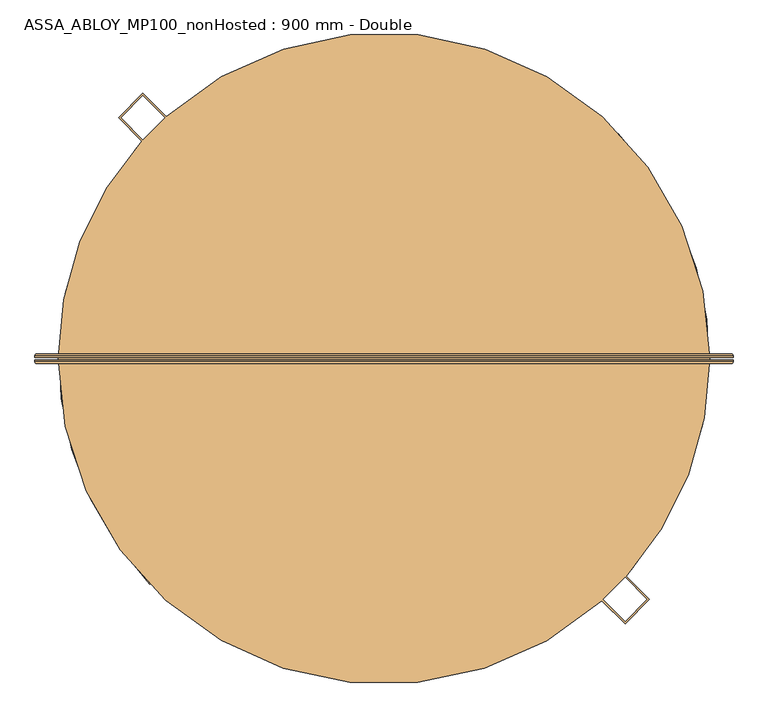
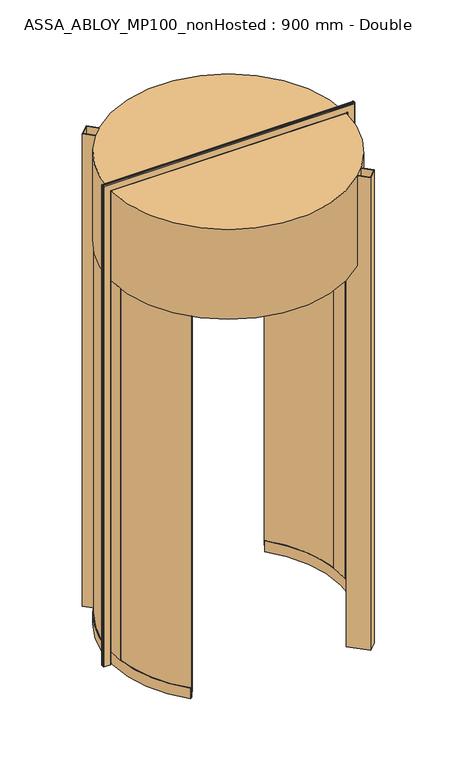
"""IFC4 building model written with IfcOpenShell, lengths in millimetres: door geometry, ASSA_ABLOY_MP100_nonHosted : 900 mm - Double."""

from ifc_helpers import new_model, si_unit, point, frame, origin, origin_2d, place, context, project, spatial, polyline, circle_curve, ellipse_curve, trimmed, segment, composite_curve, outline, extrude, source, transform, mapped, element, save
from ifc_brep_helpers import plane_surface, cylinder_surface, revolved_surface, advanced_brep


def assa_abloy_mp100_nonhosted_900_mm_double_41536150(model_context):
    return source(origin(), model_context, "Body", "SolidModel", [
        advanced_brep(
        [(805.0980762, 11.0, 0.0), (809.0980762, 7.0, 0.0), (809.0980762, 3.0, 0.0), (807.0980762, 3.0, 0.0), (807.0980762, 7.0, 0.0), (805.0980762, 9.0, 0.0), (763.0980762, 9.0, 0.0), (761.0980762, 7.0, 0.0), (761.0980762, 3.0, 0.0), (759.0980762, 3.0, 0.0), (759.0980762, 7.0, 0.0), (763.0980762, 11.0, 0.0), (805.0980762, 11.0, 3260.9980762), (809.0980762, 7.0, 3264.9980762), (809.0980762, 3.0, 3264.9980762), (759.0980762, 7.0, 3214.9980762), (763.0980762, 11.0, 3218.9980762), (-763.0980762, 11.0, 3218.9980762), (-763.0980762, 11.0, 0.0), (-805.0980762, 11.0, 0.0), (-805.0980762, 11.0, 3260.9980762), (-809.0980762, 7.0, 3264.9980762), (-809.0980762, 3.0, 3264.9980762), (-759.0980762, 7.0, 3214.9980762), (-759.0980762, 7.0, 0.0), (-759.0980762, 3.0, 0.0), (-761.0980762, 3.0, 0.0), (-761.0980762, 7.0, 0.0), (-763.0980762, 9.0, 0.0), (-805.0980762, 9.0, 0.0), (-807.0980762, 7.0, 0.0), (-807.0980762, 3.0, 0.0), (-809.0980762, 3.0, 0.0), (-809.0980762, 7.0, 0.0), (-807.0980762, 3.0, 3262.9980762), (807.0980762, 3.0, 3262.9980762), (807.0980762, 7.0, 3262.9980762), (805.0980762, 9.0, 3260.9980762), (-805.0980762, 9.0, 3260.9980762), (-763.0980762, 9.0, 3218.9980762), (763.0980762, 9.0, 3218.9980762), (761.0980762, 7.0, 3216.9980762), (761.0980762, 3.0, 3216.9980762), (-761.0980762, 3.0, 3216.9980762), (-759.0980762, 3.0, 3214.9980762), (759.0980762, 3.0, 3214.9980762), (-807.0980762, 7.0, 3262.9980762), (-761.0980762, 7.0, 3216.9980762)],
        [
            (0, 1, circle_curve(frame((805.0980762, 7.0, 0.0), z_axis=(0.0, 0.0, -1.0), x_axis=(-1.0, 0.0, 0.0)), 4.0)),
            (1, 2),
            (2, 3),
            (3, 4),
            (4, 5, circle_curve(frame((805.0980762, 7.0, 0.0), z_axis=(0.0, 0.0, 1.0), x_axis=(-1.0, 0.0, 0.0)), 2.0)),
            (5, 6),
            (6, 7, circle_curve(frame((763.0980762, 7.0, 0.0), z_axis=(0.0, 0.0, 1.0), x_axis=(-1.0, 0.0, 0.0)), 2.0)),
            (7, 8),
            (8, 9),
            (9, 10),
            (10, 11, circle_curve(frame((763.0980762, 7.0, 0.0), z_axis=(0.0, 0.0, -1.0), x_axis=(-1.0, 0.0, 0.0)), 4.0)),
            (11, 0),
            (0, 12),
            (12, 13, ellipse_curve(frame((805.0980762, 7.0, 3260.9980762), z_axis=(0.7071067811865475, 0.0, -0.7071067811865475), x_axis=(-0.7071067811865474, 0.0, -0.7071067811865476)), 5.6568542, 4.0)),
            (13, 1),
            (13, 14),
            (14, 2),
            (10, 15),
            (15, 16, ellipse_curve(frame((763.0980762, 7.0, 3218.9980762), z_axis=(0.7071067811865475, 0.0, -0.7071067811865475), x_axis=(-0.7071067811865474, 0.0, -0.7071067811865476)), 5.6568542, 4.0)),
            (16, 11),
            (16, 17),
            (17, 18),
            (18, 19),
            (19, 20),
            (20, 12),
            (20, 21, ellipse_curve(frame((-805.0980762, 7.0, 3260.9980762), z_axis=(0.7071067811865475, 0.0, 0.7071067811865475), x_axis=(0.7071067811865476, 0.0, -0.7071067811865474)), 5.6568542, 4.0)),
            (21, 13),
            (21, 22),
            (22, 14),
            (15, 23),
            (23, 17, ellipse_curve(frame((-763.0980762, 7.0, 3218.9980762), z_axis=(0.7071067811865475, 0.0, 0.7071067811865475), x_axis=(0.7071067811865476, 0.0, -0.7071067811865474)), 5.6568542, 4.0)),
            (18, 24, circle_curve(frame((-763.0980762, 7.0, 0.0), z_axis=(0.0, 0.0, -1.0), x_axis=(1.0, 0.0, 0.0)), 4.0)),
            (24, 25),
            (25, 26),
            (26, 27),
            (27, 28, circle_curve(frame((-763.0980762, 7.0, 0.0), z_axis=(0.0, 0.0, 1.0), x_axis=(1.0, 0.0, 0.0)), 2.0)),
            (28, 29),
            (29, 30, circle_curve(frame((-805.0980762, 7.0, 0.0), z_axis=(0.0, 0.0, 1.0), x_axis=(1.0, 0.0, 0.0)), 2.0)),
            (30, 31),
            (31, 32),
            (32, 33),
            (33, 19, circle_curve(frame((-805.0980762, 7.0, 0.0), z_axis=(0.0, 0.0, -1.0), x_axis=(1.0, 0.0, 0.0)), 4.0)),
            (33, 21),
            (32, 22),
            (23, 24),
            (31, 34),
            (34, 35),
            (35, 3),
            (35, 36),
            (36, 4),
            (36, 37, ellipse_curve(frame((805.0980762, 7.0, 3260.9980762), z_axis=(-0.7071067811865475, 0.0, 0.7071067811865475), x_axis=(0.7071067811865474, 0.0, 0.7071067811865476)), 2.8284271, 2.0)),
            (37, 5),
            (37, 38),
            (38, 29),
            (28, 39),
            (39, 40),
            (40, 6),
            (40, 41, ellipse_curve(frame((763.0980762, 7.0, 3218.9980762), z_axis=(-0.7071067811865475, 0.0, 0.7071067811865475), x_axis=(0.7071067811865474, 0.0, 0.7071067811865476)), 2.8284271, 2.0)),
            (41, 7),
            (41, 42),
            (42, 8),
            (42, 43),
            (43, 26),
            (25, 44),
            (44, 45),
            (45, 9),
            (45, 15),
            (34, 46),
            (46, 36),
            (46, 38, ellipse_curve(frame((-805.0980762, 7.0, 3260.9980762), z_axis=(-0.7071067811865475, 0.0, -0.7071067811865475), x_axis=(-0.7071067811865476, 0.0, 0.7071067811865474)), 2.8284271, 2.0)),
            (39, 47, ellipse_curve(frame((-763.0980762, 7.0, 3218.9980762), z_axis=(-0.7071067811865475, 0.0, -0.7071067811865475), x_axis=(-0.7071067811865476, 0.0, 0.7071067811865474)), 2.8284271, 2.0)),
            (47, 41),
            (47, 43),
            (44, 23),
            (30, 46),
            (27, 47),
        ],
        [
            plane_surface(frame((759.1, 0.0, 0.0), z_axis=(0.0, 0.0, -1.0), x_axis=(0.0, -1.0, 0.0))),
            cylinder_surface(frame((805.0980762, 7.0, 0.0), z_axis=(0.0, 0.0, -1.0), x_axis=(-1.0, 0.0, 0.0)), 4.0),
            plane_surface(frame((809.0980762, 7.0, 0.0), z_axis=(1.0, 0.0, 0.0), x_axis=(0.0, 0.0, 1.0))),
            cylinder_surface(frame((763.0980762, 7.0, 0.0), z_axis=(0.0, 0.0, -1.0), x_axis=(-1.0, 0.0, 0.0)), 4.0),
            plane_surface(frame((763.0980762, 11.0, 0.0), z_axis=(0.0, 1.0, 0.0), x_axis=(0.0, 0.0, 1.0))),
            cylinder_surface(frame((759.1, 7.0, 3260.9980762), z_axis=(1.0, 0.0, 0.0), x_axis=(0.0, 0.0, -1.0)), 4.0),
            plane_surface(frame((809.0980762, 7.0, 3264.9980762), z_axis=(0.0, 0.0, 1.0), x_axis=(-1.0, 0.0, 0.0))),
            cylinder_surface(frame((759.1, 7.0, 3218.9980762), z_axis=(1.0, 0.0, 0.0), x_axis=(0.0, 0.0, -1.0)), 4.0),
            plane_surface(frame((-759.1, 0.0, 0.0), z_axis=(0.0, 0.0, -1.0), x_axis=(0.0, -1.0, 0.0))),
            cylinder_surface(frame((-805.0980762, 7.0, 3215.0), z_axis=(0.0, 0.0, 1.0), x_axis=(1.0, 0.0, 0.0)), 4.0),
            plane_surface(frame((-809.0980762, 7.0, 3264.9980762), z_axis=(-1.0, 0.0, 0.0), x_axis=(0.0, 0.0, -1.0))),
            cylinder_surface(frame((-763.0980762, 7.0, 3215.0), z_axis=(0.0, 0.0, 1.0), x_axis=(1.0, 0.0, 0.0)), 4.0),
            plane_surface(frame((809.0980762, 3.0, 0.0), z_axis=(0.0, -1.0, 0.0), x_axis=(0.0, 0.0, 1.0))),
            plane_surface(frame((807.0980762, 3.0, 0.0), z_axis=(-1.0, 0.0, 0.0), x_axis=(0.0, 0.0, 1.0))),
            revolved_surface(polyline([(803.0980762, 7.0, 3262.9980762), (803.0980762, 7.0, 0.0)]), (805.0980762, 7.0, 0.0), (0.0, 0.0, 1.0)),
            plane_surface(frame((805.0980762, 9.0, 0.0), z_axis=(0.0, -1.0, 0.0), x_axis=(0.0, 0.0, 1.0))),
            revolved_surface(polyline([(761.0980762, 7.0, 3220.998076182502), (761.0980762, 7.0, 0.0)]), (763.0980762, 7.0, 0.0), (0.0, 0.0, 1.0)),
            plane_surface(frame((761.0980762, 7.0, 0.0), z_axis=(1.0, 0.0, 0.0), x_axis=(0.0, 0.0, 1.0))),
            plane_surface(frame((761.0980762, 3.0, 0.0), z_axis=(0.0, -1.0, 0.0), x_axis=(0.0, 0.0, 1.0))),
            plane_surface(frame((759.0980762, 3.0, 0.0), z_axis=(-1.0, 0.0, 0.0), x_axis=(0.0, 0.0, 1.0))),
            plane_surface(frame((807.0980762, 3.0, 3262.9980762), z_axis=(0.0, 0.0, -1.0), x_axis=(-1.0, 0.0, 0.0))),
            revolved_surface(polyline([(-807.0980762, 7.0, 3258.9980762), (807.0980762, 7.0, 3258.9980762)]), (759.1, 7.0, 3260.9980762), (-1.0, 0.0, 0.0)),
            revolved_surface(polyline([(-765.0980761825018, 7.0, 3216.9980762), (765.0980761825018, 7.0, 3216.9980762)]), (759.1, 7.0, 3218.9980762), (-1.0, 0.0, 0.0)),
            plane_surface(frame((761.0980762, 7.0, 3216.9980762), z_axis=(0.0, 0.0, 1.0), x_axis=(-1.0, 0.0, 0.0))),
            plane_surface(frame((759.0980762, 3.0, 3214.9980762), z_axis=(0.0, 0.0, -1.0), x_axis=(-1.0, 0.0, 0.0))),
            plane_surface(frame((-807.0980762, 3.0, 3262.9980762), z_axis=(1.0, 0.0, 0.0), x_axis=(0.0, 0.0, -1.0))),
            revolved_surface(polyline([(-803.0980762, 7.0, 0.0), (-803.0980762, 7.0, 3262.9980762)]), (-805.0980762, 7.0, 3215.0), (0.0, 0.0, -1.0)),
            revolved_surface(polyline([(-761.0980762, 7.0, 0.0), (-761.0980762, 7.0, 3220.998076182502)]), (-763.0980762, 7.0, 3215.0), (0.0, 0.0, -1.0)),
            plane_surface(frame((-761.0980762, 7.0, 3216.9980762), z_axis=(-1.0, 0.0, 0.0), x_axis=(0.0, 0.0, -1.0))),
            plane_surface(frame((-759.0980762, 3.0, 3214.9980762), z_axis=(1.0, 0.0, 0.0), x_axis=(0.0, 0.0, -1.0))),
        ],
        [
            (0, [[1, 2, 3, 4, 5, 6, 7, 8, 9, 10, 11, 12]]),
            (1, [[-1, 13, 14, 15]]),
            (2, [[-2, -15, 16, 17]]),
            (3, [[-11, 18, 19, 20]]),
            (4, [[-12, -20, 21, 22, 23, 24, 25, -13]]),
            (5, [[-14, -25, 26, 27]]),
            (6, [[-16, -27, 28, 29]]),
            (7, [[-19, 30, 31, -21]]),
            (8, [[-23, 32, 33, 34, 35, 36, 37, 38, 39, 40, 41, 42]]),
            (9, [[-26, -24, -42, 43]]),
            (10, [[-28, -43, -41, 44]]),
            (11, [[-31, 45, -32, -22]]),
            (12, [[-3, -17, -29, -44, -40, 46, 47, 48]]),
            (13, [[-4, -48, 49, 50]]),
            (14, [[-5, -50, 51, 52]]),
            (15, [[-6, -52, 53, 54, -37, 55, 56, 57]]),
            (16, [[-7, -57, 58, 59]]),
            (17, [[-8, -59, 60, 61]]),
            (18, [[-9, -61, 62, 63, -34, 64, 65, 66]]),
            (19, [[-10, -66, 67, -18]]),
            (20, [[-49, -47, 68, 69]]),
            (21, [[-51, -69, 70, -53]]),
            (22, [[-58, -56, 71, 72]]),
            (23, [[-60, -72, 73, -62]]),
            (24, [[-67, -65, 74, -30]]),
            (25, [[-68, -46, -39, 75]]),
            (26, [[-70, -75, -38, -54]]),
            (27, [[-71, -55, -36, 76]]),
            (28, [[-73, -76, -35, -63]]),
            (29, [[-74, -64, -33, -45]]),
        ],
    ),
        advanced_brep(
        [(759.0980762, -3.0, 0.0), (761.0980762, -3.0, 0.0), (761.0980762, -7.0, 0.0), (763.0980762, -9.0, 0.0), (805.0980762, -9.0, 0.0), (807.0980762, -7.0, 0.0), (807.0980762, -3.0, 0.0), (809.0980762, -3.0, 0.0), (809.0980762, -7.0, 0.0), (805.0980762, -11.0, 0.0), (763.0980762, -11.0, 0.0), (759.0980762, -7.0, 0.0), (809.0980762, -7.0, 3264.9980762), (805.0980762, -11.0, 3260.9980762), (-805.0980762, -11.0, 3260.9980762), (-805.0980762, -11.0, 0.0), (-763.0980762, -11.0, 0.0), (-763.0980762, -11.0, 3218.9980762), (763.0980762, -11.0, 3218.9980762), (759.0980762, -7.0, 3214.9980762), (759.0980762, -3.0, 3214.9980762), (-809.0980762, -7.0, 3264.9980762), (-759.0980762, -7.0, 3214.9980762), (-759.0980762, -3.0, 3214.9980762), (-759.0980762, -3.0, 0.0), (-759.0980762, -7.0, 0.0), (-809.0980762, -7.0, 0.0), (-809.0980762, -3.0, 0.0), (-807.0980762, -3.0, 0.0), (-807.0980762, -7.0, 0.0), (-805.0980762, -9.0, 0.0), (-763.0980762, -9.0, 0.0), (-761.0980762, -7.0, 0.0), (-761.0980762, -3.0, 0.0), (-761.0980762, -3.0, 3216.9980762), (761.0980762, -3.0, 3216.9980762), (761.0980762, -7.0, 3216.9980762), (763.0980762, -9.0, 3218.9980762), (-763.0980762, -9.0, 3218.9980762), (-805.0980762, -9.0, 3260.9980762), (805.0980762, -9.0, 3260.9980762), (807.0980762, -7.0, 3262.9980762), (807.0980762, -3.0, 3262.9980762), (-807.0980762, -3.0, 3262.9980762), (-809.0980762, -3.0, 3264.9980762), (809.0980762, -3.0, 3264.9980762), (-761.0980762, -7.0, 3216.9980762), (-807.0980762, -7.0, 3262.9980762)],
        [
            (0, 1),
            (1, 2),
            (2, 3, circle_curve(frame((763.0980762, -7.0, 0.0), z_axis=(0.0, 0.0, 1.0), x_axis=(-1.0, 0.0, 0.0)), 2.0)),
            (3, 4),
            (4, 5, circle_curve(frame((805.0980762, -7.0, 0.0), z_axis=(0.0, 0.0, 1.0), x_axis=(-1.0, 0.0, 0.0)), 2.0)),
            (5, 6),
            (6, 7),
            (7, 8),
            (8, 9, circle_curve(frame((805.0980762, -7.0, 0.0), z_axis=(0.0, 0.0, -1.0), x_axis=(-1.0, 0.0, 0.0)), 4.0)),
            (9, 10),
            (10, 11, circle_curve(frame((763.0980762, -7.0, 0.0), z_axis=(0.0, 0.0, -1.0), x_axis=(-1.0, 0.0, 0.0)), 4.0)),
            (11, 0),
            (8, 12),
            (12, 13, ellipse_curve(frame((805.0980762, -7.0, 3260.9980762), z_axis=(0.7071067811865475, 0.0, -0.7071067811865475), x_axis=(-0.7071067811865474, 0.0, -0.7071067811865476)), 5.6568542, 4.0)),
            (13, 9),
            (13, 14),
            (14, 15),
            (15, 16),
            (16, 17),
            (17, 18),
            (18, 10),
            (18, 19, ellipse_curve(frame((763.0980762, -7.0, 3218.9980762), z_axis=(0.7071067811865475, 0.0, -0.7071067811865475), x_axis=(-0.7071067811865474, 0.0, -0.7071067811865476)), 5.6568542, 4.0)),
            (19, 11),
            (19, 20),
            (20, 0),
            (12, 21),
            (21, 14, ellipse_curve(frame((-805.0980762, -7.0, 3260.9980762), z_axis=(0.7071067811865475, 0.0, 0.7071067811865475), x_axis=(0.7071067811865476, 0.0, -0.7071067811865474)), 5.6568542, 4.0)),
            (17, 22, ellipse_curve(frame((-763.0980762, -7.0, 3218.9980762), z_axis=(0.7071067811865475, 0.0, 0.7071067811865475), x_axis=(0.7071067811865476, 0.0, -0.7071067811865474)), 5.6568542, 4.0)),
            (22, 19),
            (22, 23),
            (23, 20),
            (24, 25),
            (25, 16, circle_curve(frame((-763.0980762, -7.0, 0.0), z_axis=(0.0, 0.0, -1.0), x_axis=(1.0, 0.0, 0.0)), 4.0)),
            (15, 26, circle_curve(frame((-805.0980762, -7.0, 0.0), z_axis=(0.0, 0.0, -1.0), x_axis=(1.0, 0.0, 0.0)), 4.0)),
            (26, 27),
            (27, 28),
            (28, 29),
            (29, 30, circle_curve(frame((-805.0980762, -7.0, 0.0), z_axis=(0.0, 0.0, 1.0), x_axis=(1.0, 0.0, 0.0)), 2.0)),
            (30, 31),
            (31, 32, circle_curve(frame((-763.0980762, -7.0, 0.0), z_axis=(0.0, 0.0, 1.0), x_axis=(1.0, 0.0, 0.0)), 2.0)),
            (32, 33),
            (33, 24),
            (21, 26),
            (25, 22),
            (24, 23),
            (33, 34),
            (34, 35),
            (35, 1),
            (35, 36),
            (36, 2),
            (36, 37, ellipse_curve(frame((763.0980762, -7.0, 3218.9980762), z_axis=(-0.7071067811865475, 0.0, 0.7071067811865475), x_axis=(0.7071067811865474, 0.0, 0.7071067811865476)), 2.8284271, 2.0)),
            (37, 3),
            (37, 38),
            (38, 31),
            (30, 39),
            (39, 40),
            (40, 4),
            (40, 41, ellipse_curve(frame((805.0980762, -7.0, 3260.9980762), z_axis=(-0.7071067811865475, 0.0, 0.7071067811865475), x_axis=(0.7071067811865474, 0.0, 0.7071067811865476)), 2.8284271, 2.0)),
            (41, 5),
            (41, 42),
            (42, 6),
            (42, 43),
            (43, 28),
            (27, 44),
            (44, 45),
            (45, 7),
            (45, 12),
            (34, 46),
            (46, 36),
            (46, 38, ellipse_curve(frame((-763.0980762, -7.0, 3218.9980762), z_axis=(-0.7071067811865475, 0.0, -0.7071067811865475), x_axis=(-0.7071067811865476, 0.0, 0.7071067811865474)), 2.8284271, 2.0)),
            (39, 47, ellipse_curve(frame((-805.0980762, -7.0, 3260.9980762), z_axis=(-0.7071067811865475, 0.0, -0.7071067811865475), x_axis=(-0.7071067811865476, 0.0, 0.7071067811865474)), 2.8284271, 2.0)),
            (47, 41),
            (47, 43),
            (44, 21),
            (32, 46),
            (29, 47),
        ],
        [
            plane_surface(frame((759.1, 0.0, 0.0), z_axis=(0.0, 0.0, -1.0), x_axis=(0.0, -1.0, 0.0))),
            cylinder_surface(frame((805.0980762, -7.0, 0.0), z_axis=(0.0, 0.0, -1.0), x_axis=(-1.0, 0.0, 0.0)), 4.0),
            plane_surface(frame((805.0980762, -11.0, 0.0), z_axis=(0.0, -1.0, 0.0), x_axis=(0.0, 0.0, 1.0))),
            cylinder_surface(frame((763.0980762, -7.0, 0.0), z_axis=(0.0, 0.0, -1.0), x_axis=(-1.0, 0.0, 0.0)), 4.0),
            plane_surface(frame((759.0980762, -7.0, 0.0), z_axis=(-1.0, 0.0, 0.0), x_axis=(0.0, 0.0, 1.0))),
            cylinder_surface(frame((759.1, -7.0, 3260.9980762), z_axis=(1.0, 0.0, 0.0), x_axis=(0.0, 0.0, -1.0)), 4.0),
            cylinder_surface(frame((759.1, -7.0, 3218.9980762), z_axis=(1.0, 0.0, 0.0), x_axis=(0.0, 0.0, -1.0)), 4.0),
            plane_surface(frame((759.0980762, -7.0, 3214.9980762), z_axis=(0.0, 0.0, -1.0), x_axis=(-1.0, 0.0, 0.0))),
            plane_surface(frame((-759.1, 0.0, 0.0), z_axis=(0.0, 0.0, -1.0), x_axis=(0.0, -1.0, 0.0))),
            cylinder_surface(frame((-805.0980762, -7.0, 3215.0), z_axis=(0.0, 0.0, 1.0), x_axis=(1.0, 0.0, 0.0)), 4.0),
            cylinder_surface(frame((-763.0980762, -7.0, 3215.0), z_axis=(0.0, 0.0, 1.0), x_axis=(1.0, 0.0, 0.0)), 4.0),
            plane_surface(frame((-759.0980762, -7.0, 3214.9980762), z_axis=(1.0, 0.0, 0.0), x_axis=(0.0, 0.0, -1.0))),
            plane_surface(frame((759.0980762, -3.0, 0.0), z_axis=(0.0, 1.0, 0.0), x_axis=(0.0, 0.0, 1.0))),
            plane_surface(frame((761.0980762, -3.0, 0.0), z_axis=(1.0, 0.0, 0.0), x_axis=(0.0, 0.0, 1.0))),
            revolved_surface(polyline([(761.0980762, -7.0, 3220.998076182502), (761.0980762, -7.0, 0.0)]), (763.0980762, -7.0, 0.0), (0.0, 0.0, 1.0)),
            plane_surface(frame((763.0980762, -9.0, 0.0), z_axis=(0.0, 1.0, 0.0), x_axis=(0.0, 0.0, 1.0))),
            revolved_surface(polyline([(803.0980762, -7.0, 3262.9980762), (803.0980762, -7.0, 0.0)]), (805.0980762, -7.0, 0.0), (0.0, 0.0, 1.0)),
            plane_surface(frame((807.0980762, -7.0, 0.0), z_axis=(-1.0, 0.0, 0.0), x_axis=(0.0, 0.0, 1.0))),
            plane_surface(frame((807.0980762, -3.0, 0.0), z_axis=(0.0, 1.0, 0.0), x_axis=(0.0, 0.0, 1.0))),
            plane_surface(frame((809.0980762, -3.0, 0.0), z_axis=(1.0, 0.0, 0.0), x_axis=(0.0, 0.0, 1.0))),
            plane_surface(frame((761.0980762, -3.0, 3216.9980762), z_axis=(0.0, 0.0, 1.0), x_axis=(-1.0, 0.0, 0.0))),
            revolved_surface(polyline([(-765.0980761825018, -7.0, 3216.9980762), (765.0980761825018, -7.0, 3216.9980762)]), (759.1, -7.0, 3218.9980762), (-1.0, 0.0, 0.0)),
            revolved_surface(polyline([(-807.0980762, -7.0, 3258.9980762), (807.0980762, -7.0, 3258.9980762)]), (759.1, -7.0, 3260.9980762), (-1.0, 0.0, 0.0)),
            plane_surface(frame((807.0980762, -7.0, 3262.9980762), z_axis=(0.0, 0.0, -1.0), x_axis=(-1.0, 0.0, 0.0))),
            plane_surface(frame((809.0980762, -3.0, 3264.9980762), z_axis=(0.0, 0.0, 1.0), x_axis=(-1.0, 0.0, 0.0))),
            plane_surface(frame((-761.0980762, -3.0, 3216.9980762), z_axis=(-1.0, 0.0, 0.0), x_axis=(0.0, 0.0, -1.0))),
            revolved_surface(polyline([(-761.0980762, -7.0, 0.0), (-761.0980762, -7.0, 3220.998076182502)]), (-763.0980762, -7.0, 3215.0), (0.0, 0.0, -1.0)),
            revolved_surface(polyline([(-803.0980762, -7.0, 0.0), (-803.0980762, -7.0, 3262.9980762)]), (-805.0980762, -7.0, 3215.0), (0.0, 0.0, -1.0)),
            plane_surface(frame((-807.0980762, -7.0, 3262.9980762), z_axis=(1.0, 0.0, 0.0), x_axis=(0.0, 0.0, -1.0))),
            plane_surface(frame((-809.0980762, -3.0, 3264.9980762), z_axis=(-1.0, 0.0, 0.0), x_axis=(0.0, 0.0, -1.0))),
        ],
        [
            (0, [[1, 2, 3, 4, 5, 6, 7, 8, 9, 10, 11, 12]]),
            (1, [[-9, 13, 14, 15]]),
            (2, [[-10, -15, 16, 17, 18, 19, 20, 21]]),
            (3, [[-11, -21, 22, 23]]),
            (4, [[-12, -23, 24, 25]]),
            (5, [[-14, 26, 27, -16]]),
            (6, [[-22, -20, 28, 29]]),
            (7, [[-24, -29, 30, 31]]),
            (8, [[32, 33, -18, 34, 35, 36, 37, 38, 39, 40, 41, 42]]),
            (9, [[-27, 43, -34, -17]]),
            (10, [[-28, -19, -33, 44]]),
            (11, [[-30, -44, -32, 45]]),
            (12, [[-1, -25, -31, -45, -42, 46, 47, 48]]),
            (13, [[-2, -48, 49, 50]]),
            (14, [[-3, -50, 51, 52]]),
            (15, [[-4, -52, 53, 54, -39, 55, 56, 57]]),
            (16, [[-5, -57, 58, 59]]),
            (17, [[-6, -59, 60, 61]]),
            (18, [[-7, -61, 62, 63, -36, 64, 65, 66]]),
            (19, [[-8, -66, 67, -13]]),
            (20, [[-49, -47, 68, 69]]),
            (21, [[-51, -69, 70, -53]]),
            (22, [[-58, -56, 71, 72]]),
            (23, [[-60, -72, 73, -62]]),
            (24, [[-67, -65, 74, -26]]),
            (25, [[-68, -46, -41, 75]]),
            (26, [[-70, -75, -40, -54]]),
            (27, [[-71, -55, -38, 76]]),
            (28, [[-73, -76, -37, -63]]),
            (29, [[-74, -64, -35, -43]]),
        ],
    ),
        advanced_brep(
        [(-528.3315152, -508.8825135, 73.0), (-530.492233, -510.9636907, 73.0), (-530.492233, -510.9636907, 39.0), (-540.5755828, -520.675851, 39.0), (-540.5755828, -520.675851, 73.0), (-542.7363006, -522.7570282, 73.0), (-542.7363006, -522.7570282, 0.0), (-540.5755828, -520.675851, 0.0), (-540.5755828, -520.675851, 24.0), (-530.492233, -510.9636907, 24.0), (-530.492233, -510.9636907, 0.0), (-528.3315152, -508.8825135, 0.0), (-557.6233523, 476.6044476, 73.0), (-557.6233523, 476.6044476, 0.0), (-559.9038649, 478.5536172, 0.0), (-559.9038649, 478.5536172, 24.0), (-570.5462573, 487.6497419, 24.0), (-570.5462573, 487.6497419, 0.0), (-572.82677, 489.5989115, 0.0), (-572.82677, 489.5989115, 73.0), (-570.5462573, 487.6497419, 73.0), (-570.5462573, 487.6497419, 39.0), (-559.9038649, 478.5536172, 39.0), (-559.9038649, 478.5536172, 73.0), (-728.0898904, -89.3348417, 73.0), (-731.0675602, -89.7001945, 73.0), (-736.1352483, 24.7143418, 73.0), (-733.1369376, 24.6136792, 73.0), (-750.1273647, 25.1841076, 73.0), (-744.9633517, -91.4051811, 73.0), (-747.9410215, -91.7705339, 73.0), (-753.1256754, 25.2847702, 73.0), (-753.1256754, 25.2847702, 2600.0), (-747.9410215, -91.7705339, 2600.0), (-744.9633517, -91.4051811, 2600.0), (-750.1273647, 25.1841076, 2600.0), (-733.1369376, 24.6136792, 2600.0), (-736.1352483, 24.7143418, 2600.0), (-731.0675602, -89.7001945, 2600.0), (-728.0898904, -89.3348417, 2600.0)],
        [
            (0, 1),
            (1, 2),
            (2, 3),
            (3, 4),
            (4, 5),
            (5, 6),
            (6, 7),
            (7, 8),
            (8, 9),
            (9, 10),
            (10, 11),
            (11, 0),
            (12, 13),
            (13, 14),
            (14, 15),
            (15, 16),
            (16, 17),
            (17, 18),
            (18, 19),
            (19, 20),
            (20, 21),
            (21, 22),
            (22, 23),
            (23, 12),
            (0, 24, circle_curve(frame((0.0, 0.0, 73.0), z_axis=(0.0, 0.0, -1.0), x_axis=(-0.7202392682397201, -0.6937257357814488, 0.0)), 733.55)),
            (24, 25),
            (25, 1, circle_curve(frame((0.0, 0.0, 73.0), z_axis=(0.0, 0.0, 1.0), x_axis=(-0.7202392682397201, -0.6937257357814488, 0.0)), 736.55)),
            (23, 26, circle_curve(frame((0.0, 0.0, 73.0), z_axis=(0.0, 0.0, 1.0), x_axis=(-0.7202392682397201, -0.6937257357814488, 0.0)), 736.55)),
            (26, 27),
            (27, 12, circle_curve(frame((0.0, 0.0, 73.0), z_axis=(0.0, 0.0, -1.0), x_axis=(-0.7202392682397201, -0.6937257357814488, 0.0)), 733.55)),
            (25, 26, circle_curve(frame((0.0, 0.0, 73.0), z_axis=(0.0, 0.0, -1.0), x_axis=(-0.7202392682397201, -0.6937257357814488, 0.0)), 736.55)),
            (22, 2, circle_curve(frame((0.0, 0.0, 39.0), z_axis=(0.0, 0.0, 1.0), x_axis=(-0.7202392682397201, -0.6937257357814488, 0.0)), 736.55)),
            (21, 3, circle_curve(frame((0.0, 0.0, 39.0), z_axis=(0.0, 0.0, 1.0), x_axis=(-0.7202392682397201, -0.6937257357814488, 0.0)), 750.55)),
            (20, 28, circle_curve(frame((0.0, 0.0, 73.0), z_axis=(0.0, 0.0, 1.0), x_axis=(-0.7202392682397201, -0.6937257357814488, 0.0)), 750.55)),
            (28, 29, circle_curve(frame((0.0, 0.0, 73.0), z_axis=(0.0, 0.0, 1.0), x_axis=(-0.7202392682397201, -0.6937257357814488, 0.0)), 750.55)),
            (29, 4, circle_curve(frame((0.0, 0.0, 73.0), z_axis=(0.0, 0.0, 1.0), x_axis=(-0.7202392682397201, -0.6937257357814488, 0.0)), 750.55)),
            (29, 30),
            (30, 5, circle_curve(frame((0.0, 0.0, 73.0), z_axis=(0.0, 0.0, 1.0), x_axis=(-0.7202392682397201, -0.6937257357814488, 0.0)), 753.55)),
            (19, 31, circle_curve(frame((0.0, 0.0, 73.0), z_axis=(0.0, 0.0, 1.0), x_axis=(-0.7202392682397201, -0.6937257357814488, 0.0)), 753.55)),
            (31, 28),
            (30, 31, circle_curve(frame((0.0, 0.0, 73.0), z_axis=(0.0, 0.0, -1.0), x_axis=(-0.7202392682397201, -0.6937257357814488, 0.0)), 753.55)),
            (18, 6, circle_curve(frame((0.0, 0.0, 0.0), z_axis=(0.0, 0.0, 1.0), x_axis=(-0.7202392682397201, -0.6937257357814488, 0.0)), 753.55)),
            (17, 7, circle_curve(frame((0.0, 0.0, 0.0), z_axis=(0.0, 0.0, 1.0), x_axis=(-0.7202392682397201, -0.6937257357814488, 0.0)), 750.55)),
            (16, 8, circle_curve(frame((0.0, 0.0, 24.0), z_axis=(0.0, 0.0, 1.0), x_axis=(-0.7202392682397201, -0.6937257357814488, 0.0)), 750.55)),
            (15, 9, circle_curve(frame((0.0, 0.0, 24.0), z_axis=(0.0, 0.0, 1.0), x_axis=(-0.7202392682397201, -0.6937257357814488, 0.0)), 736.55)),
            (14, 10, circle_curve(frame((0.0, 0.0, 0.0), z_axis=(0.0, 0.0, 1.0), x_axis=(-0.7202392682397201, -0.6937257357814488, 0.0)), 736.55)),
            (13, 11, circle_curve(frame((0.0, 0.0, 0.0), z_axis=(0.0, 0.0, 1.0), x_axis=(-0.7202392682397201, -0.6937257357814488, 0.0)), 733.55)),
            (27, 24, circle_curve(frame((0.0, 0.0, 73.0), z_axis=(0.0, 0.0, 1.0), x_axis=(-0.7202392682397201, -0.6937257357814488, 0.0)), 733.55)),
            (32, 33, circle_curve(frame((0.0, 0.0, 2600.0), z_axis=(0.0, 0.0, 1.0), x_axis=(0.7071067811865459, -0.7071067811865491, 0.0)), 753.55)),
            (33, 34),
            (34, 35, circle_curve(frame((0.0, 0.0, 2600.0), z_axis=(0.0, 0.0, -1.0), x_axis=(0.7071067811865459, -0.7071067811865491, 0.0)), 750.55)),
            (35, 32),
            (32, 31),
            (30, 33),
            (29, 34),
            (28, 35),
            (36, 37),
            (37, 38, circle_curve(frame((0.0, 0.0, 2600.0), z_axis=(0.0, 0.0, 1.0), x_axis=(0.7071067811865459, -0.7071067811865492, 0.0)), 736.55)),
            (38, 39),
            (39, 36, circle_curve(frame((0.0, 0.0, 2600.0), z_axis=(0.0, 0.0, -1.0), x_axis=(0.7071067811865459, -0.7071067811865492, 0.0)), 733.55)),
            (36, 27),
            (26, 37),
            (25, 38),
            (24, 39),
        ],
        [
            plane_surface(frame((-535.5339079, -515.8197708, 0.0), z_axis=(0.6937257357814489, -0.7202392682397202, 0.0), x_axis=(0.0, 0.0, 1.0))),
            plane_surface(frame((-565.2250611, 483.1016796, 0.0), z_axis=(0.6497231921869124, 0.7601708844295791, 0.0), x_axis=(0.0, 0.0, 1.0))),
            plane_surface(frame((0.0, 0.0, 73.0), z_axis=(0.0, 0.0, 1.0), x_axis=(-0.7202392682397201, -0.6937257357814488, 0.0))),
            cylinder_surface(frame((0.0, 0.0, 0.0), z_axis=(0.0, 0.0, -1.0), x_axis=(-0.7202392682397201, -0.6937257357814488, 0.0)), 736.55),
            plane_surface(frame((0.0, 0.0, 39.0), z_axis=(0.0, 0.0, 1.0), x_axis=(-0.7202392682397201, -0.6937257357814488, 0.0))),
            revolved_surface(polyline([(-540.5755827773219, -520.6758509907663, 39.0), (-540.5755827773219, -520.6758509907663, 73.0)]), (0.0, 0.0, 0.0), (0.0, 0.0, -1.0)),
            cylinder_surface(frame((0.0, 0.0, 0.0), z_axis=(0.0, 0.0, -1.0), x_axis=(-0.7202392682397201, -0.6937257357814488, 0.0)), 753.55),
            plane_surface(frame((0.0, 0.0, 0.0), z_axis=(0.0, 0.0, -1.0), x_axis=(-0.7202392682397201, -0.6937257357814488, 0.0))),
            revolved_surface(polyline([(-540.5755827773219, -520.6758509907663, 0.0), (-540.5755827773219, -520.6758509907663, 24.0)]), (0.0, 0.0, 0.0), (0.0, 0.0, -1.0)),
            plane_surface(frame((0.0, 0.0, 24.0), z_axis=(0.0, 0.0, -1.0), x_axis=(-0.7202392682397201, -0.6937257357814488, 0.0))),
            revolved_surface(polyline([(-528.3315152172466, -508.8825134824817, 0.0), (-528.3315152172466, -508.8825134824817, 73.0)]), (0.0, 0.0, 0.0), (0.0, 0.0, -1.0)),
            plane_surface(frame((532.840315, -532.840315, 2600.0), z_axis=(0.0, 0.0, 1.0), x_axis=(0.7071067811865491, 0.7071067811865459, 0.0))),
            cylinder_surface(frame((0.0, 0.0, 73.0), z_axis=(0.0, 0.0, 1.0), x_axis=(0.7071067811865459, -0.7071067811865491, 0.0)), 753.55),
            plane_surface(frame((-747.9410215, -91.7705339, 2600.0), z_axis=(0.12178426629986172, -0.9925565940951702, 0.0), x_axis=(0.0, 0.0, -1.0))),
            revolved_surface(polyline([(530.718994619562, -530.7189946195645, 73.0), (530.718994619562, -530.7189946195645, 2600.0)]), (0.0, 0.0, 73.0), (0.0, 0.0, -1.0)),
            plane_surface(frame((-750.1273647, 25.1841076, 2600.0), z_axis=(0.03355420367634455, 0.9994368991665489, 0.0), x_axis=(0.0, 0.0, -1.0))),
            plane_surface(frame((-733.1369376, 24.6136792, 2600.0), z_axis=(0.0, 0.0, 1.0000000000000002), x_axis=(-0.9994368993523267, 0.03355419814281517, 0.0))),
            plane_surface(frame((-733.1369376, 24.6136792, 2600.0), z_axis=(0.03355419814281517, 0.9994368993523267, 0.0), x_axis=(0.0, 0.0, -1.0))),
            cylinder_surface(frame((0.0, 0.0, 73.0), z_axis=(0.0, 0.0, 1.0000000000000002), x_axis=(0.7071067811865459, -0.7071067811865492, 0.0)), 736.55),
            plane_surface(frame((-731.0675602, -89.7001945, 2600.0), z_axis=(0.12178426079545666, -0.9925565947705473, 0.0), x_axis=(0.0, 0.0, -1.0))),
            revolved_surface(polyline([(518.6981793393907, -518.6981793393932, 73.0), (518.6981793393907, -518.6981793393932, 2600.000000000001)]), (0.0, 0.0, 73.0), (0.0, 0.0, -1.0000000000000002)),
        ],
        [
            (0, [[1, 2, 3, 4, 5, 6, 7, 8, 9, 10, 11, 12]]),
            (1, [[13, 14, 15, 16, 17, 18, 19, 20, 21, 22, 23, 24]]),
            (2, [[-1, 25, 26, 27]]),
            (2, [[-24, 28, 29, 30]]),
            (3, [[-2, -27, 31, -28, -23, 32]]),
            (4, [[-3, -32, -22, 33]]),
            (5, [[-4, -33, -21, 34, 35, 36]]),
            (2, [[-5, -36, 37, 38]]),
            (2, [[-20, 39, 40, -34]]),
            (6, [[-6, -38, 41, -39, -19, 42]]),
            (7, [[-7, -42, -18, 43]]),
            (8, [[-8, -43, -17, 44]]),
            (9, [[-9, -44, -16, 45]]),
            (3, [[-10, -45, -15, 46]]),
            (7, [[-11, -46, -14, 47]]),
            (10, [[-12, -47, -13, -30, 48, -25]]),
            (11, [[49, 50, 51, 52]]),
            (12, [[-49, 53, -41, 54]]),
            (13, [[-50, -54, -37, 55]]),
            (14, [[-51, -55, -35, 56]]),
            (15, [[-52, -56, -40, -53]]),
            (16, [[57, 58, 59, 60]]),
            (17, [[-57, 61, -29, 62]]),
            (18, [[-58, -62, -31, 63]]),
            (19, [[-59, -63, -26, 64]]),
            (20, [[-60, -64, -48, -61]]),
        ],
    ),
        advanced_brep(
        [(747.9395928, 91.7703586, 2600.0), (744.961923, 91.4050058, 2600.0), (750.1259261, -25.1840593, 2600.0), (753.1242368, -25.2847219, 2600.0), (747.9395928, 91.7703586, 73.0), (744.961923, 91.4050058, 73.0), (750.1259261, -25.1840593, 73.0), (753.1242368, -25.2847219, 73.0), (570.5477914, -487.6457316, 24.0), (570.5477914, -487.6457316, 0.0), (572.8283145, -489.5948889, 0.0), (572.8283145, -489.5948889, 73.0), (570.5477914, -487.6457316, 73.0), (570.5477914, -487.6457316, 39.0), (559.90535, -478.5496643, 39.0), (559.90535, -478.5496643, 73.0), (557.6248268, -476.600507, 73.0), (557.6248268, -476.600507, 0.0), (559.90535, -478.5496643, 0.0), (559.90535, -478.5496643, 24.0), (540.576508, 520.6728155, 24.0), (530.4931216, 510.9606932, 24.0), (530.4931216, 510.9606932, 0.0), (528.332396, 508.8795241, 0.0), (528.332396, 508.8795241, 73.0), (530.4931216, 510.9606932, 73.0), (530.4931216, 510.9606932, 39.0), (540.576508, 520.6728155, 39.0), (540.576508, 520.6728155, 73.0), (542.7372336, 522.7539846, 73.0), (542.7372336, 522.7539846, 0.0), (540.576508, 520.6728155, 0.0), (731.0661307, 89.700026, 73.0), (736.1338095, -24.7143004, 73.0), (733.1354988, -24.6136378, 73.0), (728.0884609, 89.3346732, 73.0), (728.0884609, 89.3346732, 2600.0), (733.1354988, -24.6136378, 2600.0), (736.1338095, -24.7143004, 2600.0), (731.0661307, 89.700026, 2600.0)],
        [
            (0, 1),
            (1, 2, circle_curve(frame((0.0, 0.0, 2600.0), z_axis=(0.0, 0.0, -1.0), x_axis=(-0.7071067811865481, -0.7071067811865469, 0.0)), 750.5485606)),
            (2, 3),
            (3, 0, circle_curve(frame((0.0, 0.0, 2600.0), z_axis=(0.0, 0.0, 1.0), x_axis=(-0.7071067811865481, -0.7071067811865469, 0.0)), 753.5485606)),
            (0, 4),
            (4, 5),
            (5, 1),
            (5, 6, circle_curve(frame((0.0, 0.0, 73.0), z_axis=(0.0, 0.0, -1.0), x_axis=(-0.7071067811865481, -0.7071067811865469, 0.0)), 750.5485606)),
            (6, 2),
            (6, 7),
            (7, 3),
            (7, 4, circle_curve(frame((0.0, 0.0, 73.0), z_axis=(0.0, 0.0, 1.0), x_axis=(-0.7071067811865481, -0.7071067811865469, 0.0)), 753.5485606)),
            (8, 9),
            (9, 10),
            (10, 11),
            (11, 12),
            (12, 13),
            (13, 14),
            (14, 15),
            (15, 16),
            (16, 17),
            (17, 18),
            (18, 19),
            (19, 8),
            (20, 21),
            (21, 22),
            (22, 23),
            (23, 24),
            (24, 25),
            (25, 26),
            (26, 27),
            (27, 28),
            (28, 29),
            (29, 30),
            (30, 31),
            (31, 20),
            (8, 20, circle_curve(frame((0.0, 0.0, 24.0), z_axis=(0.0, 0.0, 1.0), x_axis=(0.7601743862281888, -0.6497190950884825, 0.0)), 750.5485606)),
            (31, 9, circle_curve(frame((0.0, 0.0, 0.0), z_axis=(0.0, 0.0, -1.0), x_axis=(0.7601743862281888, -0.6497190950884825, 0.0)), 750.5485606)),
            (30, 10, circle_curve(frame((0.0, 0.0, 0.0), z_axis=(0.0, 0.0, -1.0), x_axis=(0.7601743862281888, -0.6497190950884825, 0.0)), 753.5485606)),
            (29, 4, circle_curve(frame((0.0, 0.0, 73.0), z_axis=(0.0, 0.0, -1.0), x_axis=(0.7601743862281888, -0.6497190950884825, 0.0)), 753.5485606)),
            (7, 11, circle_curve(frame((0.0, 0.0, 73.0), z_axis=(0.0, 0.0, -1.0), x_axis=(0.7601743862281888, -0.6497190950884825, 0.0)), 753.5485606)),
            (6, 12, circle_curve(frame((0.0, 0.0, 73.0), z_axis=(0.0, 0.0, -1.0), x_axis=(0.7601743862281888, -0.6497190950884825, 0.0)), 750.5485606)),
            (28, 5, circle_curve(frame((0.0, 0.0, 73.0), z_axis=(0.0, 0.0, -1.0), x_axis=(0.7601743862281888, -0.6497190950884825, 0.0)), 750.5485606)),
            (27, 13, circle_curve(frame((0.0, 0.0, 39.0), z_axis=(0.0, 0.0, -1.0), x_axis=(0.7601743862281888, -0.6497190950884825, 0.0)), 750.5485606)),
            (26, 14, circle_curve(frame((0.0, 0.0, 39.0), z_axis=(0.0, 0.0, -1.0), x_axis=(0.7601743862281888, -0.6497190950884825, 0.0)), 736.5485606)),
            (25, 32, circle_curve(frame((0.0, 0.0, 73.0), z_axis=(0.0, 0.0, -1.0), x_axis=(0.7601743862281888, -0.6497190950884825, 0.0)), 736.5485606)),
            (32, 33, circle_curve(frame((0.0, 0.0, 73.0), z_axis=(0.0, 0.0, -1.0), x_axis=(0.7601743862281888, -0.6497190950884825, 0.0)), 736.5485606)),
            (33, 15, circle_curve(frame((0.0, 0.0, 73.0), z_axis=(0.0, 0.0, -1.0), x_axis=(0.7601743862281888, -0.6497190950884825, 0.0)), 736.5485606)),
            (33, 34),
            (34, 16, circle_curve(frame((0.0, 0.0, 73.0), z_axis=(0.0, 0.0, -1.0), x_axis=(0.7601743862281888, -0.6497190950884825, 0.0)), 733.5485606)),
            (24, 35, circle_curve(frame((0.0, 0.0, 73.0), z_axis=(0.0, 0.0, -1.0), x_axis=(0.7601743862281888, -0.6497190950884825, 0.0)), 733.5485606)),
            (35, 32),
            (34, 35, circle_curve(frame((0.0, 0.0, 73.0), z_axis=(0.0, 0.0, 1.0), x_axis=(0.7601743862281888, -0.6497190950884825, 0.0)), 733.5485606)),
            (23, 17, circle_curve(frame((0.0, 0.0, 0.0), z_axis=(0.0, 0.0, -1.0), x_axis=(0.7601743862281888, -0.6497190950884825, 0.0)), 733.5485606)),
            (22, 18, circle_curve(frame((0.0, 0.0, 0.0), z_axis=(0.0, 0.0, -1.0), x_axis=(0.7601743862281888, -0.6497190950884825, 0.0)), 736.5485606)),
            (21, 19, circle_curve(frame((0.0, 0.0, 24.0), z_axis=(0.0, 0.0, -1.0), x_axis=(0.7601743862281888, -0.6497190950884825, 0.0)), 736.5485606)),
            (36, 37, circle_curve(frame((0.0, 0.0, 2600.0), z_axis=(0.0, 0.0, -1.0), x_axis=(-0.707106781186548, -0.707106781186547, 0.0)), 733.5485606)),
            (37, 38),
            (38, 39, circle_curve(frame((0.0, 0.0, 2600.0), z_axis=(0.0, 0.0, 1.0), x_axis=(-0.707106781186548, -0.707106781186547, 0.0)), 736.5485606)),
            (39, 36),
            (36, 35),
            (34, 37),
            (33, 38),
            (32, 39),
        ],
        [
            plane_surface(frame((747.9395928, 91.7703586, 2600.0), z_axis=(0.0, 0.0, 1.0), x_axis=(-0.992556594095201, -0.12178426629961032, 0.0))),
            plane_surface(frame((747.9395928, 91.7703586, 2600.0), z_axis=(-0.12178426629961032, 0.992556594095201, 0.0), x_axis=(0.0, 0.0, -1.0))),
            revolved_surface(polyline([(-530.7179768100629, -530.7179768100619, 73.0), (-530.7179768100629, -530.7179768100619, 2600.0)]), (0.0, 0.0, 73.0), (0.0, 0.0, -1.0)),
            plane_surface(frame((750.1259261, -25.1840593, 2600.0), z_axis=(-0.03355420367331173, -0.9994368991666507, 0.0), x_axis=(0.0, 0.0, -1.0))),
            cylinder_surface(frame((0.0, 0.0, 73.0), z_axis=(0.0, 0.0, 1.0), x_axis=(-0.7071067811865481, -0.7071067811865469, 0.0)), 753.5485606),
            plane_surface(frame((565.2265707, -483.0976979, 0.0), z_axis=(-0.6497190950884824, -0.7601743862281888, 0.0), x_axis=(0.0, 0.0, 1.0))),
            plane_surface(frame((535.5348148, 515.8167544, 0.0), z_axis=(-0.6937230218774738, 0.720241882229287, 0.0), x_axis=(0.0, 0.0, 1.0))),
            revolved_surface(polyline([(570.5477913885555, -487.645731612995, 24.0), (570.5477913885555, -487.645731612995, 0.0)]), (0.0, 0.0, 0.0), (0.0, 0.0, 1.0)),
            plane_surface(frame((0.0, 0.0, 0.0), z_axis=(0.0, 0.0, -1.0), x_axis=(0.7601743862281888, -0.6497190950884825, 0.0))),
            cylinder_surface(frame((0.0, 0.0, 0.0), z_axis=(0.0, 0.0, 1.0), x_axis=(0.7601743862281888, -0.6497190950884825, 0.0)), 753.5485606),
            plane_surface(frame((0.0, 0.0, 73.0), z_axis=(0.0, 0.0, 1.0), x_axis=(0.7601743862281888, -0.6497190950884825, 0.0))),
            revolved_surface(polyline([(570.5477913885555, -487.645731612995, 73.0), (570.5477913885555, -487.645731612995, 39.0)]), (0.0, 0.0, 0.0), (0.0, 0.0, 1.0)),
            plane_surface(frame((0.0, 0.0, 39.0), z_axis=(0.0, 0.0, 1.0), x_axis=(0.7601743862281888, -0.6497190950884825, 0.0))),
            cylinder_surface(frame((0.0, 0.0, 0.0), z_axis=(0.0, 0.0, 1.0), x_axis=(0.7601743862281888, -0.6497190950884825, 0.0)), 736.5485606),
            revolved_surface(polyline([(557.6248268226764, -476.6005069964908, 73.0), (557.6248268226764, -476.6005069964908, 0.0)]), (0.0, 0.0, 0.0), (0.0, 0.0, 1.0)),
            plane_surface(frame((0.0, 0.0, 24.0), z_axis=(0.0, 0.0, -1.0), x_axis=(0.7601743862281888, -0.6497190950884825, 0.0))),
            plane_surface(frame((-518.6971615, -518.6971615, 2600.0), z_axis=(0.0, 0.0, 1.0), x_axis=(-0.707106781186547, 0.707106781186548, 0.0))),
            revolved_surface(polyline([(-518.6971615298914, -518.6971615298906, 73.0), (-518.6971615298914, -518.6971615298906, 2600.0)]), (0.0, 0.0, 73.0), (0.0, 0.0, -1.0)),
            plane_surface(frame((733.1354988, -24.6136378, 2600.0), z_axis=(-0.033554203669916786, -0.9994368991667647, 0.0), x_axis=(0.0, 0.0, -1.0))),
            cylinder_surface(frame((0.0, 0.0, 73.0), z_axis=(0.0, 0.0, 1.0), x_axis=(-0.707106781186548, -0.707106781186547, 0.0)), 736.5485606),
            plane_surface(frame((731.0661307, 89.700026, 2600.0), z_axis=(-0.12178426630042492, 0.9925565940951011, 0.0), x_axis=(0.0, 0.0, -1.0))),
        ],
        [
            (0, [[1, 2, 3, 4]]),
            (1, [[-1, 5, 6, 7]]),
            (2, [[-2, -7, 8, 9]]),
            (3, [[-3, -9, 10, 11]]),
            (4, [[-4, -11, 12, -5]]),
            (5, [[13, 14, 15, 16, 17, 18, 19, 20, 21, 22, 23, 24]]),
            (6, [[25, 26, 27, 28, 29, 30, 31, 32, 33, 34, 35, 36]]),
            (7, [[-13, 37, -36, 38]]),
            (8, [[-14, -38, -35, 39]]),
            (9, [[-15, -39, -34, 40, -12, 41]]),
            (10, [[-16, -41, -10, 42]]),
            (10, [[-33, 43, -6, -40]]),
            (11, [[-17, -42, -8, -43, -32, 44]]),
            (12, [[-18, -44, -31, 45]]),
            (13, [[-19, -45, -30, 46, 47, 48]]),
            (10, [[-20, -48, 49, 50]]),
            (10, [[-29, 51, 52, -46]]),
            (14, [[-21, -50, 53, -51, -28, 54]]),
            (8, [[-22, -54, -27, 55]]),
            (13, [[-23, -55, -26, 56]]),
            (15, [[-24, -56, -25, -37]]),
            (16, [[57, 58, 59, 60]]),
            (17, [[-57, 61, -53, 62]]),
            (18, [[-58, -62, -49, 63]]),
            (19, [[-59, -63, -47, 64]]),
            (20, [[-60, -64, -52, -61]]),
        ],
    ),
        advanced_brep(
        [(558.6143571, -615.1828996, 3210.0), (615.1828996, -558.6143571, 3210.0), (561.4001123, -504.8315698, 3210.0), (755.0, 0.0, 3210.0), (-504.8315698, 561.4001123, 3210.0), (-558.6143571, 615.1828996, 3210.0), (-615.1828996, 558.6143571, 3210.0), (-561.4001123, 504.8315698, 3210.0), (-755.0, 0.0, 3210.0), (504.8315698, -561.4001123, 3210.0), (609.5260454, -558.6143571, 3210.0), (558.6143571, -609.5260454, 3210.0), (507.802536, -558.7142243, 3210.0), (558.7142243, -507.802536, 3210.0), (-507.802536, 558.7142243, 3210.0), (-558.7142243, 507.802536, 3210.0), (-609.5260454, 558.6143571, 3210.0), (-558.6143571, 609.5260454, 3210.0), (504.8315698, -561.4001123, 2600.0), (-755.0, 0.0, 2600.0), (-561.4001123, 504.8315698, 2600.0), (-516.1879503, 459.6194078, 2600.0), (-459.6194078, 516.1879503, 2600.0), (-504.8315698, 561.4001123, 2600.0), (755.0, 0.0, 2600.0), (561.4001123, -504.8315698, 2600.0), (516.1879503, -459.6194078, 2600.0), (459.6194078, -516.1879503, 2600.0), (558.7142243, -507.802536, 2600.0), (507.802536, -558.7142243, 2600.0), (465.276262, -516.1879503, 2600.0), (516.1879503, -465.276262, 2600.0), (-558.7142243, 507.802536, 2600.0), (-507.802536, 558.7142243, 2600.0), (-465.276262, 516.1879503, 2600.0), (-516.1879503, 465.276262, 2600.0), (558.6143571, -615.1828996, 0.0), (459.6194078, -516.1879503, 0.0), (516.1879503, -459.6194078, 0.0), (615.1828996, -558.6143571, 0.0), (516.1879503, -465.276262, 0.0), (465.276262, -516.1879503, 0.0), (558.6143571, -609.5260454, 0.0), (609.5260454, -558.6143571, 0.0), (-459.6194078, 516.1879503, 0.0), (-516.1879503, 459.6194078, 0.0), (-615.1828996, 558.6143571, 0.0), (-558.6143571, 615.1828996, 0.0), (-609.5260454, 558.6143571, 0.0), (-516.1879503, 465.276262, 0.0), (-465.276262, 516.1879503, 0.0), (-558.6143571, 609.5260454, 0.0)],
        [
            (0, 1),
            (1, 2),
            (2, 3, circle_curve(frame((0.0, 0.0, 3210.0), z_axis=(0.0, 0.0, 1.0), x_axis=(1.0, 0.0, 0.0)), 755.0)),
            (3, 4, circle_curve(frame((0.0, 0.0, 3210.0), z_axis=(0.0, 0.0, 1.0), x_axis=(1.0, 0.0, 0.0)), 755.0)),
            (4, 5),
            (5, 6),
            (6, 7),
            (7, 8, circle_curve(frame((0.0, 0.0, 3210.0), z_axis=(0.0, 0.0, 1.0), x_axis=(1.0, 0.0, 0.0)), 755.0)),
            (8, 9, circle_curve(frame((0.0, 0.0, 3210.0), z_axis=(0.0, 0.0, 1.0), x_axis=(1.0, 0.0, 0.0)), 755.0)),
            (9, 0),
            (10, 11),
            (11, 12),
            (12, 13, circle_curve(frame((0.0, 0.0, 3210.0), z_axis=(0.0, 0.0, 1.0), x_axis=(1.0, 0.0, 0.0)), 755.0)),
            (13, 10),
            (14, 15, circle_curve(frame((0.0, 0.0, 3210.0), z_axis=(0.0, 0.0, 1.0), x_axis=(1.0, 0.0, 0.0)), 755.0)),
            (15, 16),
            (16, 17),
            (17, 14),
            (18, 19, circle_curve(frame((0.0, 0.0, 2600.0), z_axis=(0.0, 0.0, -1.0), x_axis=(1.0, 0.0, 0.0)), 755.0)),
            (19, 20, circle_curve(frame((0.0, 0.0, 2600.0), z_axis=(0.0, 0.0, -1.0), x_axis=(1.0, 0.0, 0.0)), 755.0)),
            (20, 21),
            (21, 22),
            (22, 23),
            (23, 24, circle_curve(frame((0.0, 0.0, 2600.0), z_axis=(0.0, 0.0, -1.0), x_axis=(1.0, 0.0, 0.0)), 755.0)),
            (24, 25, circle_curve(frame((0.0, 0.0, 2600.0), z_axis=(0.0, 0.0, -1.0), x_axis=(1.0, 0.0, 0.0)), 755.0)),
            (25, 26),
            (26, 27),
            (27, 18),
            (28, 29, circle_curve(frame((0.0, 0.0, 2600.0), z_axis=(0.0, 0.0, -1.0), x_axis=(1.0, 0.0, 0.0)), 755.0)),
            (29, 30),
            (30, 31),
            (31, 28),
            (32, 33, circle_curve(frame((0.0, 0.0, 2600.0), z_axis=(0.0, 0.0, -1.0), x_axis=(1.0, 0.0, 0.0)), 755.0)),
            (33, 34),
            (34, 35),
            (35, 32),
            (12, 29),
            (28, 13),
            (8, 19),
            (18, 9),
            (24, 3),
            (2, 25),
            (14, 33),
            (32, 15),
            (7, 20),
            (23, 4),
            (36, 37),
            (37, 38),
            (38, 39),
            (39, 36),
            (40, 41),
            (41, 42),
            (42, 43),
            (43, 40),
            (36, 0),
            (27, 37),
            (26, 38),
            (1, 39),
            (40, 31),
            (30, 41),
            (11, 42),
            (10, 43),
            (44, 45),
            (45, 46),
            (46, 47),
            (47, 44),
            (48, 49),
            (49, 50),
            (50, 51),
            (51, 48),
            (44, 22),
            (21, 45),
            (6, 46),
            (5, 47),
            (48, 16),
            (35, 49),
            (34, 50),
            (17, 51),
        ],
        [
            plane_surface(frame((755.0, 0.0, 3210.0), z_axis=(0.0, 0.0, 1.0), x_axis=(0.0, 1.0, 0.0))),
            plane_surface(frame((755.0, 0.0, 2600.0), z_axis=(0.0, 0.0, -1.0), x_axis=(0.0, -1.0, 0.0))),
            cylinder_surface(frame((0.0, 0.0, 2600.0), z_axis=(0.0, 0.0, 1.0), x_axis=(1.0, 0.0, 0.0)), 755.0),
            plane_surface(frame((533.8656198, -533.8656198, 0.0), z_axis=(0.0, 0.0, -1.0), x_axis=(0.7071067811865459, -0.7071067811865491, 0.0))),
            plane_surface(frame((558.6143571, -615.1828996, 0.0), z_axis=(-0.7071067811865492, -0.7071067811865459, 0.0), x_axis=(0.0, 0.0, 1.0))),
            plane_surface(frame((459.6194078, -516.1879503, 0.0), z_axis=(-0.7071067811865458, 0.7071067811865492, 0.0), x_axis=(0.0, 0.0, 1.0))),
            plane_surface(frame((516.1879503, -459.6194078, 0.0), z_axis=(0.707106781186549, 0.7071067811865461, 0.0), x_axis=(0.0, 0.0, 1.0))),
            plane_surface(frame((615.1828996, -558.6143571, 0.0), z_axis=(0.7071067811865455, -0.7071067811865498, 0.0), x_axis=(0.0, 0.0, 1.0))),
            plane_surface(frame((516.1879503, -465.276262, 0.0), z_axis=(0.7071067811865457, -0.7071067811865495, 0.0), x_axis=(0.0, 0.0, 1.0))),
            plane_surface(frame((465.276262, -516.1879503, 0.0), z_axis=(0.7071067811865491, 0.707106781186546, 0.0), x_axis=(0.0, 0.0, 1.0))),
            plane_surface(frame((558.6143571, -609.5260454, 0.0), z_axis=(-0.7071067811865461, 0.707106781186549, 0.0), x_axis=(0.0, 0.0, 1.0))),
            plane_surface(frame((609.5260454, -558.6143571, 0.0), z_axis=(-0.7071067811865493, -0.7071067811865458, 0.0), x_axis=(0.0, 0.0, 1.0))),
            plane_surface(frame((-533.8656198, 533.8656198, 0.0), z_axis=(0.0, 0.0, -1.0), x_axis=(-0.7071067811865459, 0.7071067811865491, 0.0))),
            plane_surface(frame((-459.6194078, 516.1879503, 0.0), z_axis=(0.7071067811865458, -0.7071067811865492, 0.0), x_axis=(0.0, 0.0, 1.0))),
            plane_surface(frame((-516.1879503, 459.6194078, 0.0), z_axis=(-0.7071067811865495, -0.7071067811865456, 0.0), x_axis=(0.0, 0.0, 1.0))),
            plane_surface(frame((-615.1828996, 558.6143571, 0.0), z_axis=(-0.7071067811865467, 0.7071067811865483, 0.0), x_axis=(0.0, 0.0, 1.0))),
            plane_surface(frame((-558.6143571, 615.1828996, 0.0), z_axis=(0.7071067811865495, 0.7071067811865457, 0.0), x_axis=(0.0, 0.0, 1.0))),
            plane_surface(frame((-609.5260454, 558.6143571, 0.0), z_axis=(0.7071067811865491, 0.707106781186546, 0.0), x_axis=(0.0, 0.0, 1.0))),
            plane_surface(frame((-516.1879503, 465.276262, 0.0), z_axis=(-0.7071067811865461, 0.7071067811865489, 0.0), x_axis=(0.0, 0.0, 1.0))),
            plane_surface(frame((-465.276262, 516.1879503, 0.0), z_axis=(-0.7071067811865491, -0.707106781186546, 0.0), x_axis=(0.0, 0.0, 1.0))),
            plane_surface(frame((-558.6143571, 609.5260454, 0.0), z_axis=(0.7071067811865461, -0.7071067811865489, 0.0), x_axis=(0.0, 0.0, 1.0))),
        ],
        [
            (0, [[1, 2, 3, 4, 5, 6, 7, 8, 9, 10], [11, 12, 13, 14], [15, 16, 17, 18]]),
            (1, [[19, 20, 21, 22, 23, 24, 25, 26, 27, 28]]),
            (1, [[29, 30, 31, 32]]),
            (1, [[33, 34, 35, 36]]),
            (2, [[-13, 37, -29, 38]]),
            (2, [[39, -19, 40, -9]]),
            (2, [[41, -3, 42, -25]]),
            (2, [[-15, 43, -33, 44]]),
            (2, [[-39, -8, 45, -20]]),
            (2, [[-41, -24, 46, -4]]),
            (3, [[47, 48, 49, 50], [51, 52, 53, 54]]),
            (4, [[-47, 55, -10, -40, -28, 56]]),
            (5, [[-48, -56, -27, 57]]),
            (6, [[-49, -57, -26, -42, -2, 58]]),
            (7, [[-50, -58, -1, -55]]),
            (8, [[-51, 59, -31, 60]]),
            (9, [[-52, -60, -30, -37, -12, 61]]),
            (10, [[-53, -61, -11, 62]]),
            (11, [[-54, -62, -14, -38, -32, -59]]),
            (12, [[63, 64, 65, 66], [67, 68, 69, 70]]),
            (13, [[-63, 71, -22, 72]]),
            (14, [[-64, -72, -21, -45, -7, 73]]),
            (15, [[-65, -73, -6, 74]]),
            (16, [[-66, -74, -5, -46, -23, -71]]),
            (17, [[-67, 75, -16, -44, -36, 76]]),
            (18, [[-68, -76, -35, 77]]),
            (19, [[-69, -77, -34, -43, -18, 78]]),
            (20, [[-70, -78, -17, -75]]),
        ],
    ),
        extrude(outline(composite_curve([segment(trimmed(circle_curve(origin_2d(), 738.55), [point((-558.6514152, 483.0783568))], [point((-528.5166224, -515.8742893))], True, "CARTESIAN"), True, "CONTINUOUS"), segment(polyline([(-528.5166224, -515.8742893), (-535.6727611, -522.8592502)]), True, "CONTINUOUS"), segment(trimmed(circle_curve(origin_2d(), 748.55), [point((-535.6727611, -522.8592502))], [point((-566.2155803, 489.6192593))], False, "CARTESIAN"), True, "CONTINUOUS"), segment(polyline([(-566.2155803, 489.6192593), (-558.6514152, 483.0783568)]), True, "CONTINUOUS")], self_intersect=False)), frame((0.0, 0.0, 39.0), z_axis=(0.0, 0.0, 1.0), x_axis=(1.0, 0.0, 0.0)), (0.0, 0.0, 1.0), 2561.0),
        extrude(outline(composite_curve([segment(trimmed(circle_curve(origin_2d(), 748.5485606), [point((535.6717433, 522.8582322))], [point((566.0164511, -489.8472462))], False, "CARTESIAN"), True, "CONTINUOUS"), segment(polyline([(566.0164511, -489.8472462), (558.4549317, -483.3032854)]), True, "CONTINUOUS"), segment(trimmed(circle_curve(origin_2d(), 738.5485606), [point((558.4549317, -483.3032854))], [point((528.5156045, 515.8732714))], True, "CARTESIAN"), True, "CONTINUOUS"), segment(polyline([(528.5156045, 515.8732714), (535.6717433, 522.8582322)]), True, "CONTINUOUS")], self_intersect=False)), frame((0.0, 0.0, 39.0), z_axis=(0.0, 0.0, 1.0), x_axis=(1.0, 0.0, 0.0)), (0.0, 0.0, 1.0), 2561.0),
    ])


if __name__ == "__main__":
    model = new_model("IFC4")
    model_context = context("Model", 3, world=origin())
    ifc_project = project(units=[si_unit("LENGTHUNIT", "METRE", prefix="MILLI")], contexts=[model_context])
    site = spatial("IfcSite", under=ifc_project)
    building = spatial("IfcBuilding", under=site)
    placement = place(None, origin())
    assa_abloy_mp100_nonhosted_900_mm_double_shape = assa_abloy_mp100_nonhosted_900_mm_double_41536150(model_context)
    element("IfcDoor", 1, ObjectType="ASSA_ABLOY_MP100_nonHosted : 900 mm - Double", at=placement, inside=building, context=model_context, shape_type="MappedRepresentation", body=[
        mapped(assa_abloy_mp100_nonhosted_900_mm_double_shape, transform((0.0, 0.0, 0.0), x_axis=(1.0, 0.0, 0.0), y_axis=(0.0, 1.0, 0.0), z_axis=(0.0, 0.0, 1.0))),
    ])
    save(model, "model.ifc")
